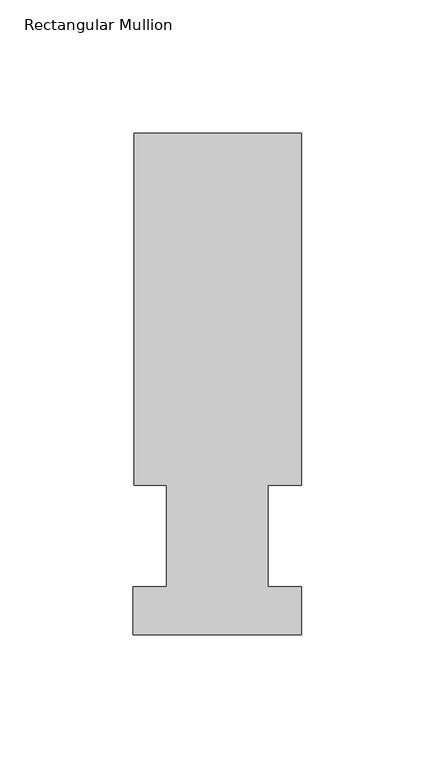
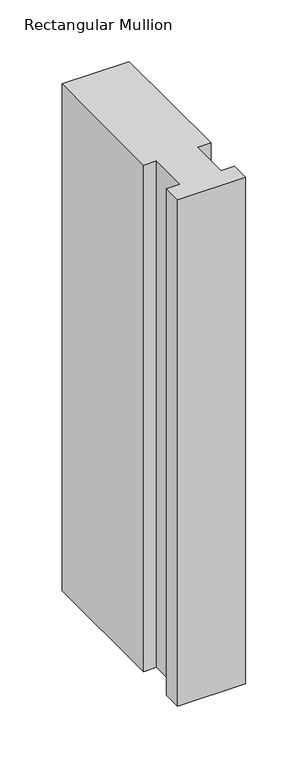
"""IFC4 building model written with IfcOpenShell, lengths in millimetres: member geometry, Rectangular Mullion."""

from ifc_helpers import new_model, si_unit, frame, origin, place, context, project, spatial, polyline, outline, extrude, source, transform, mapped, element, save


def rectangular_mullion_125b2943(model_context):
    return source(origin(), model_context, "Body", "SweptSolid", [
        extrude(outline(polyline([(-63.0936, 189.0895062), (0.0, 189.0895062), (0.0, 56.6539062), (-12.6746, 56.6539062), (-12.6746, 18.5539063), (0.0, 18.5539062), (0.0, 0.5199062), (-63.5, 0.5199062), (-63.5, 18.5539063), (-50.8, 18.5539063), (-50.8, 56.6539062), (-63.0936, 56.6539062), (-63.0936, 189.0895062)])), frame((0.0, 0.0, -501.65), z_axis=(0.0, 0.0, 1.0), x_axis=(1.0, 0.0, 0.0)), (0.0, 0.0, 1.0), 501.65),
    ])


if __name__ == "__main__":
    model = new_model("IFC4")
    model_context = context("Model", 3, world=origin())
    ifc_project = project(units=[si_unit("LENGTHUNIT", "METRE", prefix="MILLI")], contexts=[model_context])
    site = spatial("IfcSite", under=ifc_project)
    building = spatial("IfcBuilding", under=site)
    placement = place(None, origin())
    rectangular_mullion_shape = rectangular_mullion_125b2943(model_context)
    element("IfcMember", 1, ObjectType="Rectangular Mullion", at=placement, inside=building, context=model_context, shape_type="MappedRepresentation", body=[
        mapped(rectangular_mullion_shape, transform((0.0, 0.0, 0.0), x_axis=(1.0, 0.0, 0.0), y_axis=(0.0, 1.0, 0.0), z_axis=(0.0, 0.0, 1.0))),
    ])
    save(model, "model.ifc")
